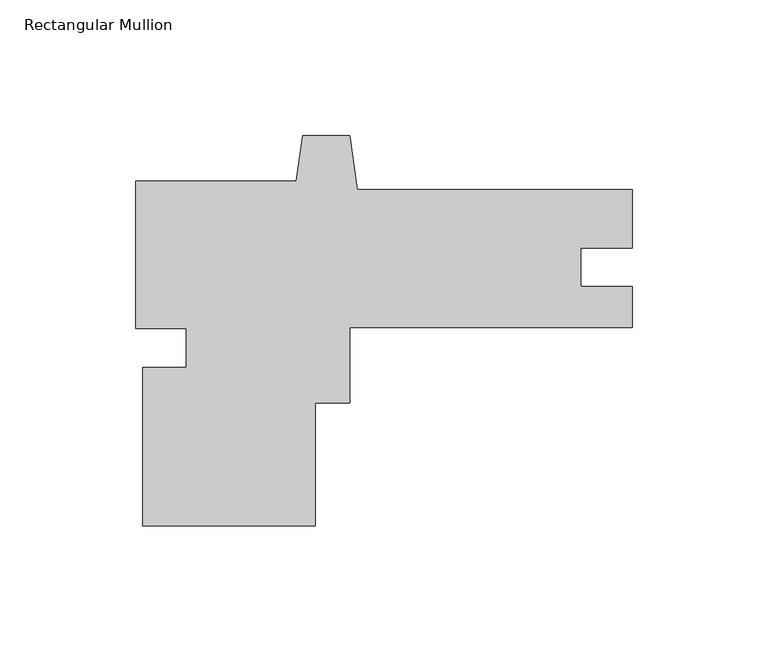
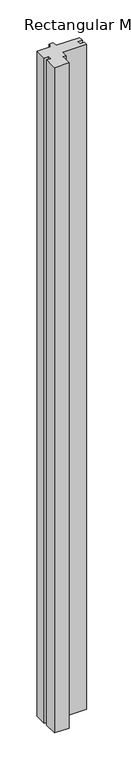
"""IFC4 building model written with IfcOpenShell, lengths in millimetres: member geometry, Rectangular Mullion."""

from ifc_helpers import new_model, si_unit, frame, origin, place, context, project, spatial, polyline, outline, extrude, source, transform, mapped, element, save


def rectangular_mullion_b6f2eaf7(model_context):
    return source(origin(), model_context, "Body", "SweptSolid", [
        extrude(outline(polyline([(-116.6812513, -73.025), (-180.1812513, -73.025), (-180.1812513, -14.7256236), (-164.3062513, -14.7256236), (-164.3062513, -0.2413), (-182.831399, -0.2413), (-182.831399, 53.975), (-123.7189324, 53.975), (-121.3593831, 70.7640658), (-104.0656195, 70.7640658), (-101.259853, 50.8), (-1.3e-06, 50.8), (-1.3e-06, 29.4131934), (-19.0246, 29.4131934), (-19.0246, 15.1003), (0.0, 15.1003), (0.0, 0.0), (-103.9812513, 0.0), (-103.9812513, -27.78125), (-116.6812513, -27.78125), (-116.6812513, -73.025)])), frame((0.0, 0.0, -3048.0), z_axis=(0.0, 0.0, 1.0), x_axis=(1.0, 0.0, 0.0)), (0.0, 0.0, 1.0), 3048.0),
    ])


if __name__ == "__main__":
    model = new_model("IFC4")
    model_context = context("Model", 3, world=origin())
    ifc_project = project(units=[si_unit("LENGTHUNIT", "METRE", prefix="MILLI")], contexts=[model_context])
    site = spatial("IfcSite", under=ifc_project)
    building = spatial("IfcBuilding", under=site)
    placement = place(None, origin())
    rectangular_mullion_shape = rectangular_mullion_b6f2eaf7(model_context)
    element("IfcMember", 1, ObjectType="Rectangular Mullion", at=placement, inside=building, context=model_context, shape_type="MappedRepresentation", body=[
        mapped(rectangular_mullion_shape, transform((0.0, 0.0, 0.0), x_axis=(1.0, 0.0, 0.0), y_axis=(0.0, 1.0, 0.0), z_axis=(0.0, 0.0, 1.0))),
    ])
    save(model, "model.ifc")
